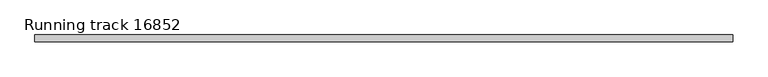
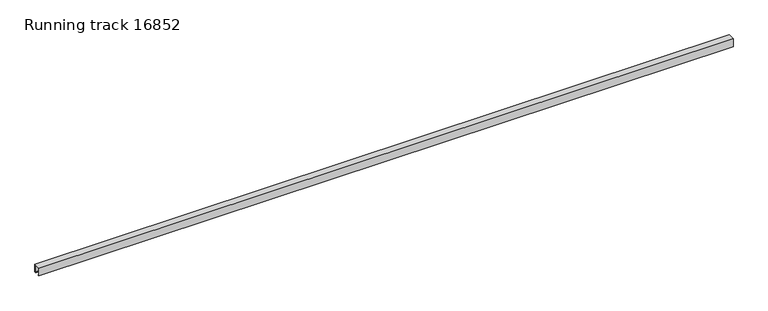
"""IFC4 building model written with IfcOpenShell, lengths in millimetres: proxy geometry, Running track 16852."""

from ifc_helpers import new_model, si_unit, frame, origin, place, context, project, spatial, polyline, outline, extrude, source, transform, mapped, element, save


def running_track_16852_50925245(model_context):
    return source(origin(), model_context, "Body", "SweptSolid", [
        extrude(outline(polyline([(25.0, 0.0), (17.0, 0.0), (17.0, 3.0), (21.9166556, 3.0), (21.9166556, 55.0), (-22.0, 55.0), (-22.0, 3.0), (-17.0, 3.0), (-17.0, 0.0), (-25.0, 0.0), (-25.0, 58.0), (25.0, 58.0), (25.0, 0.0)])), frame((0.0, 0.0, 0.0), z_axis=(1.0, 0.0, 0.0), x_axis=(0.0, 1.0, 0.0)), (0.0, 0.0, 1.0), 4960.0),
    ])


if __name__ == "__main__":
    model = new_model("IFC4")
    model_context = context("Model", 3, world=origin())
    ifc_project = project(units=[si_unit("LENGTHUNIT", "METRE", prefix="MILLI")], contexts=[model_context])
    site = spatial("IfcSite", under=ifc_project)
    building = spatial("IfcBuilding", under=site)
    placement = place(None, origin())
    running_track_16852_shape = running_track_16852_50925245(model_context)
    element("IfcBuildingElementProxy", 1, Name="Running track 16852", ObjectType="Running track 16852", at=placement, inside=building, context=model_context, shape_type="MappedRepresentation", body=[
        mapped(running_track_16852_shape, transform((0.0, 0.0, 0.0), x_axis=(1.0, 0.0, 0.0), y_axis=(0.0, 1.0, 0.0), z_axis=(0.0, 0.0, 1.0))),
    ])
    save(model, "model.ifc")
